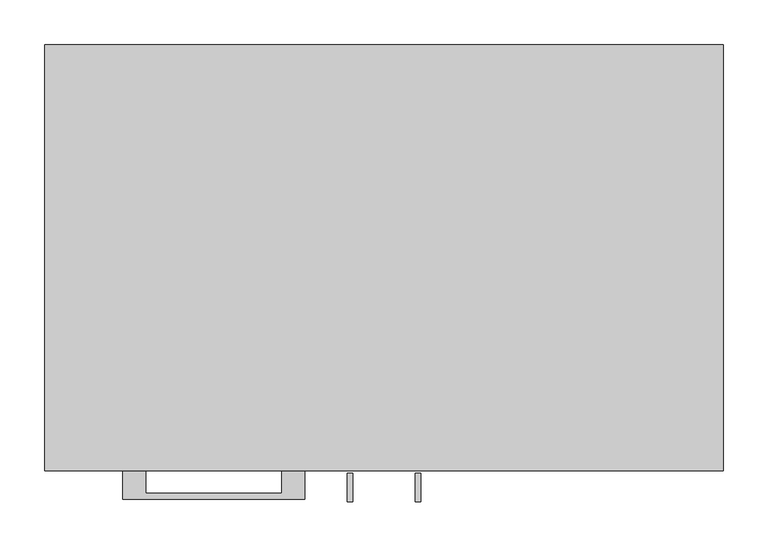
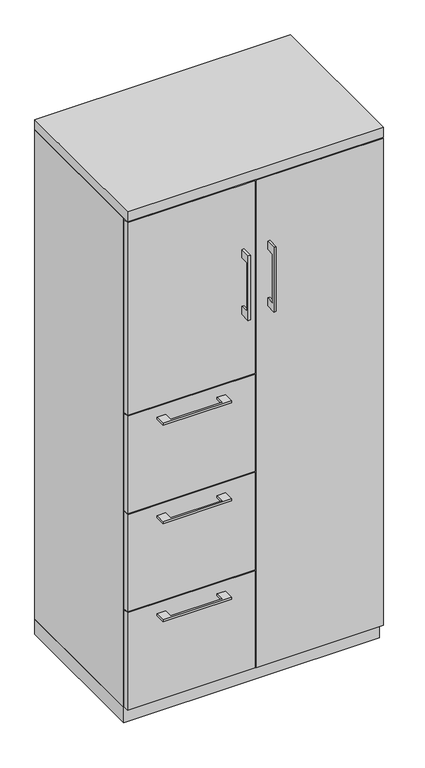
"""IFC4 building model written with IfcOpenShell, lengths in millimetres: furniture geometry."""

import ifcopenshell
import ifcopenshell.guid

model = None  # the IFC model being written
_history = None  # IfcOwnerHistory: only IFC2X3 demands one
_inside = {}  # id of a spatial element -> (the spatial element, [elements in it])
_under = {}  # id of a project, library or spatial element -> (it, [spatial elements below it])
_declared = {}  # id of a project -> (the project, [libraries it declares])
_typed = {}  # id of a type object -> (the type object, [elements of that type])
_made_of = {}  # id of a material, layer set ... -> (it, [elements and type objects made of it])


def new_model(schema):
    """Start an empty IFC model of exactly this schema.

    Asked for "IFC4X3", IfcOpenShell would pick the latest addendum, in which some entities
    have other attributes; the version numbers below select the first issue.
    IFC2X3 requires an IfcOwnerHistory on every rooted entity: one is made here for all.
    """
    global model, _history
    if schema == "IFC4X3":
        model = ifcopenshell.file(schema_version=(4, 3, 0, 0))
    else:
        model = ifcopenshell.file(schema=schema)
    _inside.clear()
    _under.clear()
    _declared.clear()
    _typed.clear()
    _made_of.clear()
    _history = None
    if model.schema == "IFC2X3":
        org = make("IfcOrganization", Name="unknown")
        user = make(
            "IfcPersonAndOrganization",
            ThePerson=make("IfcPerson", FamilyName="unknown"),
            TheOrganization=org,
        )
        app = make(
            "IfcApplication",
            ApplicationDeveloper=org,
            Version="unknown",
            ApplicationFullName="unknown",
            ApplicationIdentifier="unknown",
        )
        _history = make(
            "IfcOwnerHistory",
            OwningUser=user,
            OwningApplication=app,
            ChangeAction="ADDED",
            CreationDate=0,
        )
    return model


def make(cls, **values):
    """One entity of the class cls with the attributes given. An attribute that is None is left unset."""
    return model.create_entity(
        cls, **{name: value for name, value in values.items() if value is not None}
    )


def rooted(cls, **values):
    """An entity with a GlobalId (a new one), such as an element, a storey or a relation."""
    return make(cls, GlobalId=ifcopenshell.guid.new(), OwnerHistory=_history, **values)


def si_unit(unit_type, name, prefix=None):
    """IfcSIUnit, for example si_unit("LENGTHUNIT", "METRE", prefix="MILLI")."""
    return make("IfcSIUnit", UnitType=unit_type, Prefix=prefix, Name=name)


def assignment(units):
    """IfcUnitAssignment: the units of a project."""
    return None if units is None else make("IfcUnitAssignment", Units=units)


def point(xyz):
    """IfcCartesianPoint."""
    return None if xyz is None else make("IfcCartesianPoint", Coordinates=xyz)


def direction(xyz):
    """IfcDirection."""
    return None if xyz is None else make("IfcDirection", DirectionRatios=xyz)


def frame(location, z_axis=None, x_axis=None):
    """IfcAxis2Placement3D, a coordinate frame: its origin and axes. An axis left out is left unset."""
    return make(
        "IfcAxis2Placement3D",
        Location=point(location),
        Axis=direction(z_axis),
        RefDirection=direction(x_axis),
    )


def origin():
    """The frame at (0, 0, 0) with its axes left unset."""
    return frame((0.0, 0.0, 0.0))


def origin_with_axes():
    """The frame at (0, 0, 0) with the z axis (0, 0, 1) and the x axis (1, 0, 0) written out."""
    return frame((0.0, 0.0, 0.0), z_axis=(0.0, 0.0, 1.0), x_axis=(1.0, 0.0, 0.0))


def place(relative_to, where):
    """IfcLocalPlacement: puts the frame where relative to a parent placement (None: the world)."""
    return make(
        "IfcLocalPlacement", PlacementRelTo=relative_to, RelativePlacement=where
    )


def context(
    kind, dimensions, precision=None, world=None, true_north=None, identifier=None
):
    """IfcGeometricRepresentationContext, for example the 3D "Model" context."""
    return make(
        "IfcGeometricRepresentationContext",
        ContextIdentifier=identifier,
        ContextType=kind,
        CoordinateSpaceDimension=dimensions,
        Precision=precision,
        WorldCoordinateSystem=world,
        TrueNorth=true_north,
    )


def project(units=None, contexts=None):
    """IfcProject with its units and contexts."""
    return rooted(
        "IfcProject",
        Name="project",
        RepresentationContexts=contexts,
        UnitsInContext=assignment(units),
    )


def spatial(cls, under=None, at=None, **own):
    """A site, building, storey or space (cls), placed at a placement, below another one or the project."""
    s = rooted(cls, ObjectPlacement=at, **own)
    if under is not None:
        _under.setdefault(under.id(), (under, []))[1].append(s)
    return s


def polyline(points):
    """IfcPolyline through the points."""
    return make("IfcPolyline", Points=[point(p) for p in points])


def outline(outer, holes=None, kind="AREA"):
    """IfcArbitraryClosedProfileDef: a profile drawn as a closed curve; with holes, ...WithVoids."""
    if holes is None:
        return make("IfcArbitraryClosedProfileDef", ProfileType=kind, OuterCurve=outer)
    return make(
        "IfcArbitraryProfileDefWithVoids",
        ProfileType=kind,
        OuterCurve=outer,
        InnerCurves=holes,
    )


def extrude(swept, where, along, depth):
    """IfcExtrudedAreaSolid: the profile swept, set in the frame where, extruded along a direction by depth."""
    return make(
        "IfcExtrudedAreaSolid",
        SweptArea=swept,
        Position=where,
        ExtrudedDirection=direction(along),
        Depth=depth,
    )


def shape(context_of_items, identifier, shape_type, items):
    """IfcShapeRepresentation: the items that make up one representation, for example the "Body"."""
    return make(
        "IfcShapeRepresentation",
        ContextOfItems=context_of_items,
        RepresentationIdentifier=identifier,
        RepresentationType=shape_type,
        Items=items,
    )


def source(mapping_origin, context_of_items, identifier, shape_type, items):
    """IfcRepresentationMap: a shape defined once, which mapped items show again and again."""
    return make(
        "IfcRepresentationMap",
        MappingOrigin=mapping_origin,
        MappedRepresentation=shape(context_of_items, identifier, shape_type, items),
    )


def transform(
    local_origin,
    x_axis=None,
    y_axis=None,
    z_axis=None,
    scale=None,
    scale2=None,
    scale3=None,
    uniform=True,
):
    """IfcCartesianTransformationOperator3D, or its non-uniform kind. x_axis, y_axis, z_axis: its Axis1, 2, 3."""
    if uniform:
        return make(
            "IfcCartesianTransformationOperator3D",
            Axis1=direction(x_axis),
            Axis2=direction(y_axis),
            LocalOrigin=point(local_origin),
            Scale=scale,
            Axis3=direction(z_axis),
        )
    return make(
        "IfcCartesianTransformationOperator3DnonUniform",
        Axis1=direction(x_axis),
        Axis2=direction(y_axis),
        LocalOrigin=point(local_origin),
        Scale=scale,
        Axis3=direction(z_axis),
        Scale2=scale2,
        Scale3=scale3,
    )


def mapped(mapping_source, mapping_target):
    """IfcMappedItem: shows the shape of a source again, moved by a transform."""
    return make(
        "IfcMappedItem", MappingSource=mapping_source, MappingTarget=mapping_target
    )


def made_of(thing, what):
    """Note that an element or type object is made of a material, layer set ...; save() writes the relation."""
    if what is not None:
        _made_of.setdefault(what.id(), (what, []))[1].append(thing)
    return thing


def element(
    cls,
    number,
    at=None,
    inside=None,
    cuts=None,
    type_object=None,
    material=None,
    context=None,
    identifier="Body",
    shape_type=None,
    held_by="IfcProductDefinitionShape",
    body=None,
    shapes=None,
    **own,
):
    """One element of the class cls, such as IfcWall. Its Tag is "e" and its number.

    at: its placement. inside: the storey or other place that contains it. cuts: it is an
    opening in that element (IfcRelVoidsElement). A single representation is given by context,
    identifier, shape_type and body (its items); several are given by shapes. held_by: the class
    of the entity that holds the representations. save() writes the other relations.
    """
    e = rooted(cls, Tag="e%d" % number, ObjectPlacement=at, **own)
    if body is not None:
        shapes = [shape(context, identifier, shape_type, body)]
    if shapes is not None:
        e.Representation = make(held_by, Representations=shapes)
    if inside is not None:
        _inside.setdefault(inside.id(), (inside, []))[1].append(e)
    if cuts is not None:
        rooted(
            "IfcRelVoidsElement", RelatingBuildingElement=cuts, RelatedOpeningElement=e
        )
    if type_object is not None:
        _typed.setdefault(type_object.id(), (type_object, []))[1].append(e)
    return made_of(e, material)


def aggregate(whole, parts):
    """IfcRelAggregates: a whole, such as a stair, and the parts it consists of."""
    return rooted("IfcRelAggregates", RelatingObject=whole, RelatedObjects=parts)


def save(model, path):
    """Write the relations noted so far, then the file.

    IfcRelAggregates (storeys below a building ...), IfcRelContainedInSpatialStructure (elements
    in a storey), IfcRelDefinesByType, IfcRelAssociatesMaterial and IfcRelDeclares: one each for
    every whole, place, type object, material and project.
    """
    for whole, parts in _under.values():
        aggregate(whole, parts)
    for where, things in _inside.values():
        rooted(
            "IfcRelContainedInSpatialStructure",
            RelatedElements=things,
            RelatingStructure=where,
        )
    for kind, things in _typed.values():
        rooted("IfcRelDefinesByType", RelatedObjects=things, RelatingType=kind)
    for what, things in _made_of.values():
        rooted("IfcRelAssociatesMaterial", RelatedObjects=things, RelatingMaterial=what)
    for by, libraries in _declared.values():
        rooted("IfcRelDeclares", RelatingContext=by, RelatedDefinitions=libraries)
    model.write(path)


def furniture_6e57bde0(model_context):
    return source(origin(), model_context, "Body", "SweptSolid", [
        extrude(outline(polyline([(-266.6999818, -476.25), (-266.6999818, -501.6499758), (-114.3, -501.6499758), (-114.3, -476.25), (-88.9000061, -476.25), (-88.9000061, -507.9999879), (-292.0999939, -507.9999879), (-292.0999939, -476.25), (-266.6999818, -476.25)])), frame((0.0, 0.0, 931.8625506), z_axis=(0.0, 0.0, 1.0), x_axis=(1.0, 0.0, 0.0)), (0.0, 0.0, 1.0), 6.3499758),
        extrude(outline(polyline([(-1.5875, -457.2), (-1.5875, -476.25), (-379.4125, -476.25), (-379.4125, -457.2), (-1.5875, -457.2)])), frame((0.0, 0.0, 666.75), z_axis=(0.0, 0.0, 1.0), x_axis=(1.0, 0.0, 0.0)), (0.0, 0.0, 1.0), 304.8),
        extrude(outline(polyline([(-266.6999818, -476.25), (-266.6999818, -501.6499758), (-114.3, -501.6499758), (-114.3, -476.25), (-88.9000061, -476.25), (-88.9000061, -507.9999879), (-292.0999939, -507.9999879), (-292.0999939, -476.25), (-266.6999818, -476.25)])), frame((0.0, 0.0, 623.8875506), z_axis=(0.0, 0.0, 1.0), x_axis=(1.0, 0.0, 0.0)), (0.0, 0.0, 1.0), 6.3499758),
        extrude(outline(polyline([(-1.5875, -457.2), (-1.5875, -476.25), (-379.4125, -476.25), (-379.4125, -457.2), (-1.5875, -457.2)])), frame((0.0, 0.0, 358.775), z_axis=(0.0, 0.0, 1.0), x_axis=(1.0, 0.0, 0.0)), (0.0, 0.0, 1.0), 304.8),
        extrude(outline(polyline([(-479.425, 1352.55), (-504.8249758, 1352.55), (-504.8249758, 1200.15), (-479.425, 1200.15), (-479.425, 1174.75), (-511.1749879, 1174.75), (-511.1749879, 1377.95), (-479.425, 1377.95), (-479.425, 1352.55)])), frame((-41.2749879, 0.0, 0.0), z_axis=(1.0, 0.0, 0.0), x_axis=(0.0, 1.0, 0.0)), (0.0, 0.0, 1.0), 6.3499758),
        extrude(outline(polyline([(-379.4125, -476.25), (-379.4125, -457.2), (-1.5875, -457.2), (-1.5875, -476.25), (-379.4125, -476.25)])), frame((0.0, 0.0, 974.725), z_axis=(0.0, 0.0, 1.0), x_axis=(1.0, 0.0, 0.0)), (0.0, 0.0, 1.0), 603.25),
        extrude(outline(polyline([(-479.425, 1352.55), (-504.8249758, 1352.55), (-504.8249758, 1200.15), (-479.425, 1200.15), (-479.425, 1174.75), (-511.1749879, 1174.75), (-511.1749879, 1377.95), (-479.425, 1377.95), (-479.425, 1352.55)])), frame((34.9250121, 0.0, 0.0), z_axis=(1.0, 0.0, 0.0), x_axis=(0.0, 1.0, 0.0)), (0.0, 0.0, 1.0), 6.3499758),
        extrude(outline(polyline([(379.4125, -476.25), (1.5875, -476.25), (1.5875, -457.2), (379.4125, -457.2), (379.4125, -476.25)])), frame((0.0, 0.0, 50.8), z_axis=(0.0, 0.0, 1.0), x_axis=(1.0, 0.0, 0.0)), (0.0, 0.0, 1.0), 1527.175),
        extrude(outline(polyline([(-266.6999818, -476.25), (-266.6999818, -501.6499758), (-114.3, -501.6499758), (-114.3, -476.25), (-88.9000061, -476.25), (-88.9000061, -507.9999879), (-292.0999939, -507.9999879), (-292.0999939, -476.25), (-266.6999818, -476.25)])), frame((0.0, 0.0, 315.9125506), z_axis=(0.0, 0.0, 1.0), x_axis=(1.0, 0.0, 0.0)), (0.0, 0.0, 1.0), 6.3499758),
        extrude(outline(polyline([(-1.5875, -457.2), (-1.5875, -476.25), (-379.4125, -476.25), (-379.4125, -457.2), (-1.5875, -457.2)])), frame((0.0, 0.0, 50.8), z_axis=(0.0, 0.0, 1.0), x_axis=(1.0, 0.0, 0.0)), (0.0, 0.0, 1.0), 304.8),
        extrude(outline(polyline([(-1.5875, -19.05), (-1.5875, -457.2), (-20.6375, -457.2), (-20.6375, -19.05), (-1.5875, -19.05)])), frame((0.0, 0.0, 47.625), z_axis=(0.0, 0.0, 1.0), x_axis=(1.0, 0.0, 0.0)), (0.0, 0.0, 1.0), 1533.525),
        extrude(outline(polyline([(379.4125, 0.0), (379.4125, -457.2), (360.3625, -457.2), (360.3625, -19.05), (-360.3625, -19.05), (-360.3625, -457.2), (-379.4125, -457.2), (-379.4125, 0.0), (379.4125, 0.0)])), frame((0.0, 0.0, 47.625), z_axis=(0.0, 0.0, 1.0), x_axis=(1.0, 0.0, 0.0)), (0.0, 0.0, 1.0), 1533.525),
        extrude(outline(polyline([(379.4125, 0.0), (379.4125, -476.25), (-379.4125, -476.25), (-379.4125, 0.0), (379.4125, 0.0)])), frame((0.0, 0.0, 1581.15), z_axis=(0.0, 0.0, 1.0), x_axis=(1.0, 0.0, 0.0)), (0.0, 0.0, 1.0), 31.75),
        extrude(outline(polyline([(379.4125, 0.0), (379.4125, -457.2), (-379.4125, -457.2), (-379.4125, 0.0), (379.4125, 0.0)])), origin_with_axes(), (0.0, 0.0, 1.0), 47.625),
    ])


if __name__ == "__main__":
    model = new_model("IFC4")
    model_context = context("Model", 3, world=origin())
    ifc_project = project(units=[si_unit("LENGTHUNIT", "METRE", prefix="MILLI")], contexts=[model_context])
    site = spatial("IfcSite", under=ifc_project)
    building = spatial("IfcBuilding", under=site)
    placement = place(None, origin())
    furniture_shape = furniture_6e57bde0(model_context)
    element("IfcFurniture", 1, at=placement, inside=building, context=model_context, shape_type="MappedRepresentation", body=[
        mapped(furniture_shape, transform((0.0, 0.0, 0.0), x_axis=(1.0, 0.0, 0.0), y_axis=(0.0, 1.0, 0.0), z_axis=(0.0, 0.0, 1.0))),
    ])
    save(model, "model.ifc")
